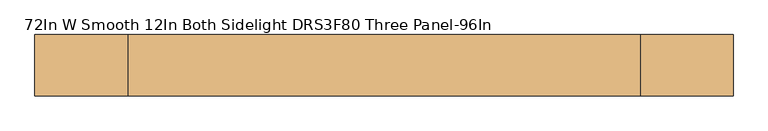
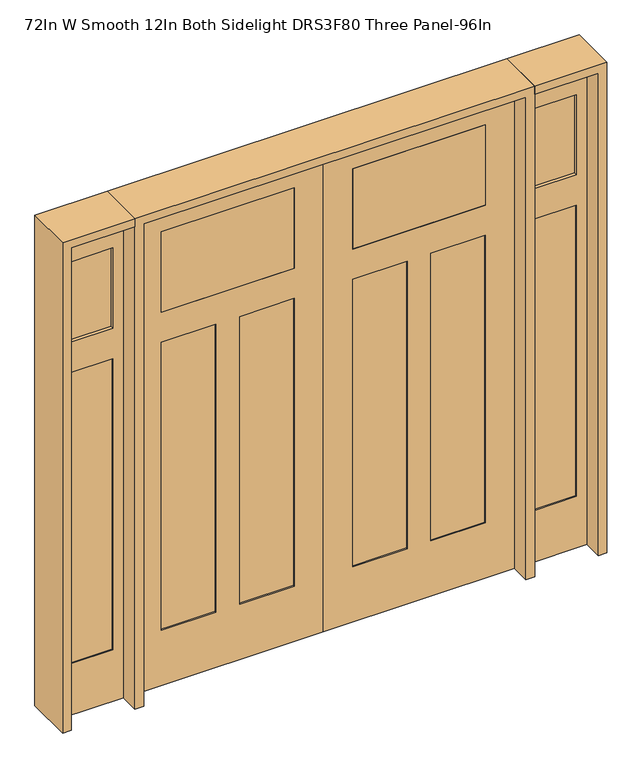
"""IFC4 building model written with IfcOpenShell, lengths in millimetres: door geometry, 72In W Smooth 12In Both Sidelight DRS3F80 Three Panel-96In."""

from ifc_helpers import new_model, si_unit, frame, origin, place, context, project, spatial, polyline, outline, extrude, faceted_brep, source, transform, mapped, element, save


def door_72in_w_smooth_12in_both_sidelight_drs3f80_three_panel_5be1f58d(model_context):
    return source(origin(), model_context, "Body", "SolidModel", [
        faceted_brep([(0.0, 20.6375, 0.0), (914.4, 20.6375, 0.0), (914.4, -20.6375, 0.0), (0.0, -20.6375, 0.0), (0.0, 20.6375, 2438.4), (0.0, -20.6375, 2438.4), (914.4, -20.6375, 2438.4), (774.7, -20.6375, 2292.35), (774.7, -20.6375, 1885.95), (139.7, -20.6375, 1885.95), (139.7, -20.6375, 2292.35), (774.7, -20.6375, 1733.55), (774.7, -20.6375, 279.4), (514.35, -20.6375, 279.4), (514.35, -20.6375, 1733.55), (400.05, -20.6375, 1733.55), (400.05, -20.6375, 279.4), (139.7, -20.6375, 279.4), (139.7, -20.6375, 1733.55), (914.4, 20.6375, 2438.4), (514.35, 20.6375, 1733.55), (514.35, 20.6375, 279.4), (774.7, 20.6375, 279.4), (774.7, 20.6375, 1733.55), (139.7, 20.6375, 1733.55), (139.7, 20.6375, 279.4), (400.05, 20.6375, 279.4), (400.05, 20.6375, 1733.55), (139.7, 20.6375, 2292.35), (139.7, 20.6375, 1885.95), (774.7, 20.6375, 1885.95), (774.7, 20.6375, 2292.35), (774.7, 14.2875, 1733.55), (774.7, 14.2875, 279.4), (514.35, 14.2875, 279.4), (514.35, 14.2875, 1733.55), (400.05, 14.2875, 1733.55), (400.05, 14.2875, 279.4), (139.7, 14.2875, 279.4), (139.7, 14.2875, 1733.55), (514.35, -14.2875, 1733.55), (514.35, -14.2875, 279.4), (774.7, -14.2875, 279.4), (774.7, -14.2875, 1733.55), (139.7, -14.2875, 1733.55), (139.7, -14.2875, 279.4), (400.05, -14.2875, 279.4), (400.05, -14.2875, 1733.55)], [[[0, 1, 2, 3]], [[4, 0, 3, 5]], [[5, 3, 2, 6], [7, 8, 9, 10], [11, 12, 13, 14], [15, 16, 17, 18]], [[6, 2, 1, 19]], [[19, 1, 0, 4], [20, 21, 22, 23], [24, 25, 26, 27], [28, 29, 30, 31]], [[4, 5, 6, 19]], [[32, 23, 22, 33]], [[33, 22, 21, 34]], [[34, 21, 20, 35]], [[36, 27, 26, 37]], [[37, 26, 25, 38]], [[38, 25, 24, 39]], [[40, 14, 13, 41]], [[41, 13, 12, 42]], [[42, 12, 11, 43]], [[44, 18, 17, 45]], [[45, 17, 16, 46]], [[46, 16, 15, 47]], [[40, 41, 42, 43]], [[44, 45, 46, 47]], [[35, 32, 33, 34]], [[39, 36, 37, 38]], [[7, 10, 28, 31]], [[31, 30, 8, 7]], [[30, 29, 9, 8]], [[10, 9, 29, 28]], [[43, 11, 14, 40]], [[47, 15, 18, 44]], [[35, 20, 23, 32]], [[39, 24, 27, 36]]]),
        extrude(outline(polyline([(139.7, -20.6375), (139.7, 20.6375), (774.7, 20.6375), (774.7, -20.6375), (139.7, -20.6375)])), frame((0.0, 0.0, 1885.95), z_axis=(0.0, 0.0, 1.0), x_axis=(1.0, 0.0, 0.0)), (0.0, 0.0, 1.0), 406.4),
        extrude(outline(polyline([(0.0, 1260.475), (2438.4, 1260.475), (2438.4, 955.675), (0.0, 955.675), (0.0, 1260.475)]), holes=[polyline([(1885.95, 1006.475), (2292.35, 1006.475), (2292.35, 1209.675), (1885.95, 1209.675), (1885.95, 1006.475)]), polyline([(260.35, 1006.475), (1733.55, 1006.475), (1733.55, 1209.675), (260.35, 1209.675), (260.35, 1006.475)])]), frame((0.0, -20.6375, 0.0), z_axis=(0.0, 1.0, 0.0), x_axis=(0.0, 0.0, 1.0)), (0.0, 0.0, 1.0), 41.275),
        extrude(outline(polyline([(1006.475, -4.1275), (1006.475, 4.2545), (1209.675, 4.2545), (1209.675, -4.1275), (1006.475, -4.1275)])), frame((0.0, 0.0, 1885.95), z_axis=(0.0, 0.0, 1.0), x_axis=(1.0, 0.0, 0.0)), (0.0, 0.0, 1.0), 406.4),
        extrude(outline(polyline([(1006.475, -14.2875), (1006.475, 14.4145), (1209.675, 14.4145), (1209.675, -14.2875), (1006.475, -14.2875)])), frame((0.0, 0.0, 260.35), z_axis=(0.0, 0.0, 1.0), x_axis=(1.0, 0.0, 0.0)), (0.0, 0.0, 1.0), 1473.2),
        extrude(outline(polyline([(0.0, -1260.475), (0.0, -955.675), (2438.4, -955.675), (2438.4, -1260.475), (0.0, -1260.475)]), holes=[polyline([(1885.95, -1006.475), (1885.95, -1209.675), (2292.35, -1209.675), (2292.35, -1006.475), (1885.95, -1006.475)]), polyline([(260.35, -1006.475), (260.35, -1209.675), (1733.55, -1209.675), (1733.55, -1006.475), (260.35, -1006.475)])]), frame((0.0, -20.6375, 0.0), z_axis=(0.0, 1.0, 0.0), x_axis=(0.0, 0.0, 1.0)), (0.0, 0.0, 1.0), 41.275),
        extrude(outline(polyline([(-1006.475, -4.1275), (-1209.675, -4.1275), (-1209.675, 4.2545), (-1006.475, 4.2545), (-1006.475, -4.1275)])), frame((0.0, 0.0, 1885.95), z_axis=(0.0, 0.0, 1.0), x_axis=(1.0, 0.0, 0.0)), (0.0, 0.0, 1.0), 406.4),
        extrude(outline(polyline([(-1006.475, -14.2875), (-1209.675, -14.2875), (-1209.675, 14.4145), (-1006.475, 14.4145), (-1006.475, -14.2875)])), frame((0.0, 0.0, 260.35), z_axis=(0.0, 0.0, 1.0), x_axis=(1.0, 0.0, 0.0)), (0.0, 0.0, 1.0), 1473.2),
        faceted_brep([(0.0, 20.6375, 0.0), (0.0, -20.6375, 0.0), (-914.4, -20.6375, 0.0), (-914.4, 20.6375, 0.0), (0.0, 20.6375, 2438.4), (0.0, -20.6375, 2438.4), (-914.4, -20.6375, 2438.4), (-774.7, -20.6375, 2292.35), (-139.7, -20.6375, 2292.35), (-139.7, -20.6375, 1885.95), (-774.7, -20.6375, 1885.95), (-774.7, -20.6375, 1733.55), (-514.35, -20.6375, 1733.55), (-514.35, -20.6375, 279.4), (-774.7, -20.6375, 279.4), (-400.05, -20.6375, 1733.55), (-139.7, -20.6375, 1733.55), (-139.7, -20.6375, 279.4), (-400.05, -20.6375, 279.4), (-914.4, 20.6375, 2438.4), (-514.35, 20.6375, 1733.55), (-774.7, 20.6375, 1733.55), (-774.7, 20.6375, 279.4), (-514.35, 20.6375, 279.4), (-139.7, 20.6375, 1733.55), (-400.05, 20.6375, 1733.55), (-400.05, 20.6375, 279.4), (-139.7, 20.6375, 279.4), (-139.7, 20.6375, 2292.35), (-774.7, 20.6375, 2292.35), (-774.7, 20.6375, 1885.95), (-139.7, 20.6375, 1885.95), (-774.7, 14.2875, 1733.55), (-774.7, 14.2875, 279.4), (-514.35, 14.2875, 279.4), (-514.35, 14.2875, 1733.55), (-400.05, 14.2875, 1733.55), (-400.05, 14.2875, 279.4), (-139.7, 14.2875, 279.4), (-139.7, 14.2875, 1733.55), (-514.35, -14.2875, 1733.55), (-514.35, -14.2875, 279.4), (-774.7, -14.2875, 279.4), (-774.7, -14.2875, 1733.55), (-139.7, -14.2875, 1733.55), (-139.7, -14.2875, 279.4), (-400.05, -14.2875, 279.4), (-400.05, -14.2875, 1733.55)], [[[0, 1, 2, 3]], [[4, 5, 1, 0]], [[5, 6, 2, 1], [7, 8, 9, 10], [11, 12, 13, 14], [15, 16, 17, 18]], [[6, 19, 3, 2]], [[19, 4, 0, 3], [20, 21, 22, 23], [24, 25, 26, 27], [28, 29, 30, 31]], [[4, 19, 6, 5]], [[32, 33, 22, 21]], [[33, 34, 23, 22]], [[34, 35, 20, 23]], [[36, 37, 26, 25]], [[37, 38, 27, 26]], [[38, 39, 24, 27]], [[40, 41, 13, 12]], [[41, 42, 14, 13]], [[42, 43, 11, 14]], [[44, 45, 17, 16]], [[45, 46, 18, 17]], [[46, 47, 15, 18]], [[40, 43, 42, 41]], [[44, 47, 46, 45]], [[35, 34, 33, 32]], [[39, 38, 37, 36]], [[7, 29, 28, 8]], [[29, 7, 10, 30]], [[30, 10, 9, 31]], [[8, 28, 31, 9]], [[43, 40, 12, 11]], [[47, 44, 16, 15]], [[35, 32, 21, 20]], [[39, 36, 25, 24]]]),
        extrude(outline(polyline([(-139.7, -20.6375), (-774.7, -20.6375), (-774.7, 20.6375), (-139.7, 20.6375), (-139.7, -20.6375)])), frame((0.0, 0.0, 1885.95), z_axis=(0.0, 0.0, 1.0), x_axis=(1.0, 0.0, 0.0)), (0.0, 0.0, 1.0), 406.4),
        extrude(outline(polyline([(2438.4, -955.675), (2479.675, -955.675), (2479.675, -1301.75), (0.0, -1301.75), (0.0, -1260.475), (2438.4, -1260.475), (2438.4, -955.675)])), frame((0.0, -114.3, 0.0), z_axis=(0.0, 1.0, 0.0), x_axis=(0.0, 0.0, 1.0)), (0.0, 0.0, 1.0), 228.6),
        extrude(outline(polyline([(2479.675, -955.675), (0.0, -955.675), (0.0, -914.4), (2438.4, -914.4), (2438.4, 914.4), (0.0, 914.4), (0.0, 955.675), (2479.675, 955.675), (2479.675, -955.675)])), frame((0.0, -114.3, 0.0), z_axis=(0.0, 1.0, 0.0), x_axis=(0.0, 0.0, 1.0)), (0.0, 0.0, 1.0), 228.6),
        extrude(outline(polyline([(0.0, 1260.475), (0.0, 1301.75), (2479.675, 1301.75), (2479.675, 955.675), (2438.4, 955.675), (2438.4, 1260.475), (0.0, 1260.475)])), frame((0.0, -114.3, 0.0), z_axis=(0.0, 1.0, 0.0), x_axis=(0.0, 0.0, 1.0)), (0.0, 0.0, 1.0), 228.6),
    ])


if __name__ == "__main__":
    model = new_model("IFC4")
    model_context = context("Model", 3, world=origin())
    ifc_project = project(units=[si_unit("LENGTHUNIT", "METRE", prefix="MILLI")], contexts=[model_context])
    site = spatial("IfcSite", under=ifc_project)
    building = spatial("IfcBuilding", under=site)
    placement = place(None, origin())
    door_72in_w_smooth_12in_both_sidelight_drs3f80_three_panel_shape = door_72in_w_smooth_12in_both_sidelight_drs3f80_three_panel_5be1f58d(model_context)
    element("IfcDoor", 1, ObjectType="72In W Smooth 12In Both Sidelight DRS3F80 Three Panel-96In", at=placement, inside=building, context=model_context, shape_type="MappedRepresentation", body=[
        mapped(door_72in_w_smooth_12in_both_sidelight_drs3f80_three_panel_shape, transform((0.0, 0.0, 0.0), x_axis=(1.0, 0.0, 0.0), y_axis=(0.0, 1.0, 0.0), z_axis=(0.0, 0.0, 1.0))),
    ])
    save(model, "model.ifc")
